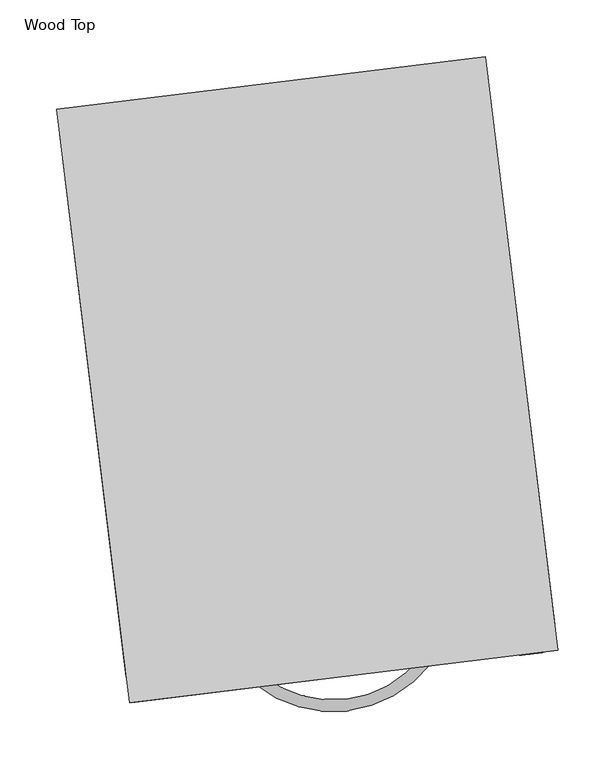
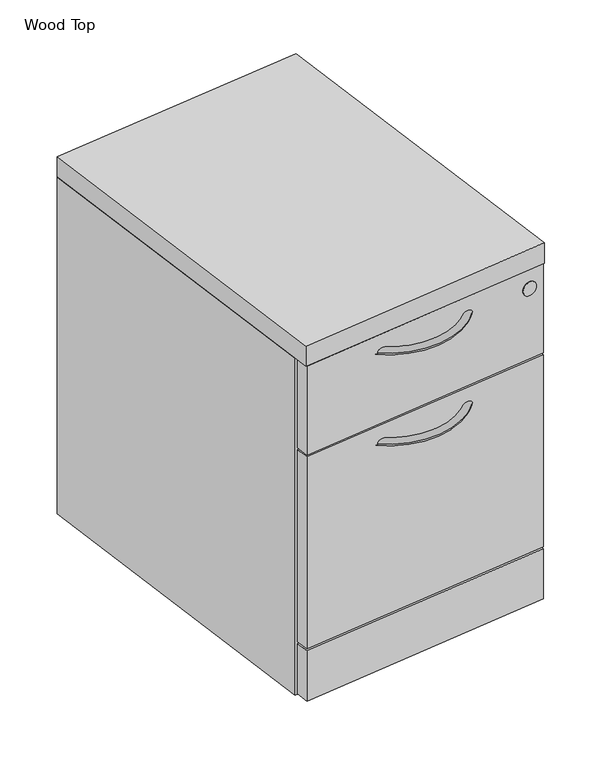
"""IFC4 building model written with IfcOpenShell, lengths in millimetres: furniture geometry, Wood Top."""

from ifc_helpers import new_model, si_unit, point, frame, frame_2d, origin, place, context, project, spatial, polyline, circle_curve, ellipse_curve, trimmed, segment, composite_curve, outline, extrude, faceted_brep, source, transform, mapped, element, save
from ifc_brep_helpers import plane_surface, revolved_surface, advanced_brep


def wood_top_27c301cb(model_context):
    return source(origin(), model_context, "Body", "SolidModel", [
        faceted_brep([(-16.4460781, 436.626, 537.0068), (45.0323872, -64.0833268, 537.0068), (58.7478461, -62.3993051, 537.0068), (-0.213995, 417.813459, 537.0068), (350.5161043, 460.8770632, 537.0068), (409.4779453, -19.335701, 537.0068), (423.192554, -17.6517837, 537.0068), (361.7140888, 483.0575431, 537.0068), (-0.213995, 417.813459, 409.8954182), (350.5161043, 460.8770632, 409.8954182), (58.7478461, -62.3993051, 409.8954182), (409.4779453, -19.335701, 409.8954182), (45.0323872, -64.0833268, 12.7), (423.192554, -17.6517837, 12.7), (409.4779453, -19.335701, 390.8454182), (409.4779453, -19.335701, 48.5394019), (58.7478461, -62.3993051, 48.5394019), (58.7478461, -62.3993051, 390.8454182), (-0.213995, 417.813459, 390.8454182), (350.5161043, 460.8770632, 390.8454182), (-0.213995, 417.813459, 48.5394019), (350.5161043, 460.8770632, 48.5394019), (-16.4460781, 436.626, 12.7), (361.7140888, 483.0575431, 12.7)], [[[0, 1, 2, 3, 4, 5, 6, 7]], [[4, 3, 8, 9]], [[9, 8, 10, 11]], [[11, 10, 2, 1, 12, 13, 6, 5], [14, 15, 16, 17]], [[14, 17, 18, 19]], [[19, 18, 20, 21]], [[21, 20, 16, 15]], [[13, 12, 22, 23]], [[0, 7, 23, 22]], [[1, 0, 22, 12]], [[17, 16, 20, 18]], [[2, 10, 8, 3]], [[5, 4, 9, 11]], [[15, 14, 19, 21]], [[7, 6, 13, 23]]]),
        extrude(outline(polyline([(361.7140888, 483.0575431), (425.94439, -40.0640211), (47.7842232, -86.4955642), (-16.4460781, 436.626), (361.7140888, 483.0575431)])), frame((0.0, 0.0, 537.0068), z_axis=(0.0, 0.0, 1.0), x_axis=(1.0, 0.0, 0.0)), (0.0, 0.0, 1.0), 31.6737863),
        extrude(outline(composite_curve([segment(trimmed(circle_curve(frame_2d((457.9451048, 4.7331134)), 17.5935881), [point((474.890074, 0.0))], [point((441.0001357, 0.0))], False, "CARTESIAN"), True, "CONTINUOUS"), segment(polyline([(441.0001357, 0.0), (474.890074, 0.0)]), True, "CONTINUOUS")], self_intersect=False)), frame((138.079566, -477.5811654, 12.7), z_axis=(0.9925463697363893, 0.12186756715022588, 0.0), x_axis=(-0.12186756715022588, 0.9925463697363893, 0.0)), (0.0, 0.0, 1.0), 46.355),
        extrude(outline(composite_curve([segment(trimmed(circle_curve(frame_2d((457.9451048, 4.7331134)), 17.5935881), [point((474.8900739, 0.0))], [point((441.0001356, 0.0))], False, "CARTESIAN"), True, "CONTINUOUS"), segment(polyline([(441.0001356, 0.0), (474.8900739, 0.0)]), True, "CONTINUOUS")], self_intersect=False)), frame((398.5801047, -444.7573183, 12.7), z_axis=(0.9925463697363893, 0.12186756715022588, 0.0), x_axis=(-0.12186756715022588, 0.9925463697363893, 0.0)), (0.0, 0.0, 1.0), 46.355),
        extrude(outline(composite_curve([segment(trimmed(circle_curve(frame_2d((457.9451048, 4.7331134)), 17.5935881), [point((474.8900739, 0.0))], [point((441.0001357, 0.0))], False, "CARTESIAN"), True, "CONTINUOUS"), segment(polyline([(441.0001357, 0.0), (474.8900739, 0.0)]), True, "CONTINUOUS")], self_intersect=False)), frame((349.8269844, -47.6891431, 12.7), z_axis=(0.9925463697363893, 0.12186756715022588, 0.0), x_axis=(-0.12186756715022588, 0.9925463697363893, 0.0)), (0.0, 0.0, 1.0), 46.355),
        extrude(outline(composite_curve([segment(trimmed(circle_curve(frame_2d((457.9451049, 4.7331134)), 17.5935881), [point((474.890074, 0.0))], [point((441.0001357, 0.0))], False, "CARTESIAN"), True, "CONTINUOUS"), segment(polyline([(441.0001357, 0.0), (474.890074, 0.0)]), True, "CONTINUOUS")], self_intersect=False)), frame((89.325776, -80.5131572, 12.7), z_axis=(0.9925463697363893, 0.12186756715022587, 0.0), x_axis=(-0.12186756715022587, 0.9925463697363893, 0.0)), (0.0, 0.0, 1.0), 46.355),
        advanced_brep(
        [(305.4491844, -46.2078402, 509.8369451), (313.4306801, -52.4944392, 509.8369451), (165.5687337, -62.8241384, 509.8369451), (159.2821347, -70.805634, 509.8369451)],
        [
            (0, 1, circle_curve(frame((309.4399323, -49.3511397, 509.8369451), z_axis=(0.6187597419534456, 0.7855802834451139, 0.0), x_axis=(0.7855802834451139, -0.6187597419534456, 0.0)), 5.08)),
            (1, 0, circle_curve(frame((309.4399323, -49.3511397, 509.8369451), z_axis=(0.6187597419534456, 0.7855802834451139, 0.0), x_axis=(0.7855802834451139, -0.6187597419534456, 0.0)), 5.08)),
            (2, 3, circle_curve(frame((162.4254342, -66.8148862, 509.8369451), z_axis=(-0.7855802834451149, 0.6187597419534444, 0.0), x_axis=(-0.6187597419534444, -0.7855802834451149, 0.0)), 5.08)),
            (3, 2, circle_curve(frame((162.4254342, -66.8148862, 509.8369451), z_axis=(-0.7855802834451149, 0.6187597419534444, 0.0), x_axis=(-0.6187597419534444, -0.7855802834451149, 0.0)), 5.08)),
            (3, 1, circle_curve(frame((227.20081, 15.4242361, 509.8369451), z_axis=(0.0, 0.0, 1.0), x_axis=(0.7855802834451139, -0.6187597419534456, 0.0)), 109.7658278)),
            (0, 2, circle_curve(frame((227.20081, 15.4242361, 509.8369451), z_axis=(0.0, 0.0, -1.0), x_axis=(0.7855802834451139, -0.6187597419534456, 0.0)), 99.6058278)),
        ],
        [
            plane_surface(frame((309.5011895, -49.3993888, 670.1234375), z_axis=(0.6187597419534456, 0.7855802834451139, 0.0), x_axis=(0.0, 0.0, 1.0))),
            plane_surface(frame((162.3771851, -66.8761434, 670.1234375), z_axis=(-0.7855802834451149, 0.6187597419534444, 0.0), x_axis=(0.0, 0.0, 1.0))),
            revolved_surface(trimmed(ellipse_curve(frame((309.4399323, -49.3511397, 509.8369451), z_axis=(0.6187597419534456, 0.7855802834451139, 0.0), x_axis=(0.7855802834451139, -0.6187597419534456, 0.0)), 5.08, 5.08), [point((305.4491844, -46.2078402, 509.8369451))], [point((313.4306801, -52.4944392, 509.8369451))], True, "CARTESIAN"), (227.20081, 15.4242361, 670.1234375), (0.0, 0.0, -1.0)),
            revolved_surface(trimmed(ellipse_curve(frame((309.4399323, -49.3511397, 509.8369451), z_axis=(0.6187597419534456, 0.7855802834451139, 0.0), x_axis=(0.7855802834451139, -0.6187597419534456, 0.0)), 5.08, 5.08), [point((313.4306801, -52.4944392, 509.8369451))], [point((305.4491844, -46.2078402, 509.8369451))], True, "CARTESIAN"), (227.20081, 15.4242361, 670.1234375), (0.0, 0.0, -1.0)),
        ],
        [
            (0, [[1, 2]]),
            (1, [[3, 4]]),
            (2, [[5, -1, 6, -4]]),
            (3, [[-6, -2, -5, -3]]),
        ],
    ),
        advanced_brep(
        [(305.4491844, -46.2078402, 368.2790769), (313.4306801, -52.4944392, 368.2790769), (165.5687337, -62.8241384, 368.2790769), (159.2821347, -70.805634, 368.2790769)],
        [
            (0, 1, circle_curve(frame((309.4399323, -49.3511397, 368.2790769), z_axis=(0.6187597419534456, 0.7855802834451139, 0.0), x_axis=(0.7855802834451139, -0.6187597419534456, 0.0)), 5.08)),
            (1, 0, circle_curve(frame((309.4399323, -49.3511397, 368.2790769), z_axis=(0.6187597419534456, 0.7855802834451139, 0.0), x_axis=(0.7855802834451139, -0.6187597419534456, 0.0)), 5.08)),
            (2, 3, circle_curve(frame((162.4254342, -66.8148862, 368.2790769), z_axis=(-0.7855802834451149, 0.6187597419534444, 0.0), x_axis=(-0.6187597419534444, -0.7855802834451149, 0.0)), 5.08)),
            (3, 2, circle_curve(frame((162.4254342, -66.8148862, 368.2790769), z_axis=(-0.7855802834451149, 0.6187597419534444, 0.0), x_axis=(-0.6187597419534444, -0.7855802834451149, 0.0)), 5.08)),
            (3, 1, circle_curve(frame((227.20081, 15.4242361, 368.2790769), z_axis=(0.0, 0.0, 1.0), x_axis=(0.7855802834451139, -0.6187597419534456, 0.0)), 109.7658278)),
            (0, 2, circle_curve(frame((227.20081, 15.4242361, 368.2790769), z_axis=(0.0, 0.0, -1.0), x_axis=(0.7855802834451139, -0.6187597419534456, 0.0)), 99.6058278)),
        ],
        [
            plane_surface(frame((309.5011895, -49.3993888, 670.1234375), z_axis=(0.6187597419534456, 0.7855802834451139, 0.0), x_axis=(0.0, 0.0, 1.0))),
            plane_surface(frame((162.3771851, -66.8761434, 670.1234375), z_axis=(-0.7855802834451149, 0.6187597419534444, 0.0), x_axis=(0.0, 0.0, 1.0))),
            revolved_surface(trimmed(ellipse_curve(frame((309.4399323, -49.3511397, 368.2790769), z_axis=(0.6187597419534456, 0.7855802834451139, 0.0), x_axis=(0.7855802834451139, -0.6187597419534456, 0.0)), 5.08, 5.08), [point((305.4491844, -46.2078402, 368.2790769))], [point((313.4306801, -52.4944392, 368.2790769))], True, "CARTESIAN"), (227.20081, 15.4242361, 670.1234375), (0.0, 0.0, -1.0)),
            revolved_surface(trimmed(ellipse_curve(frame((309.4399323, -49.3511397, 368.2790769), z_axis=(0.6187597419534456, 0.7855802834451139, 0.0), x_axis=(0.7855802834451139, -0.6187597419534456, 0.0)), 5.08, 5.08), [point((313.4306801, -52.4944392, 368.2790769))], [point((305.4491844, -46.2078402, 368.2790769))], True, "CARTESIAN"), (227.20081, 15.4242361, 670.1234375), (0.0, 0.0, -1.0)),
        ],
        [
            (0, [[1, 2]]),
            (1, [[3, 4]]),
            (2, [[5, -1, 6, -4]]),
            (3, [[-6, -2, -5, -3]]),
        ],
    ),
        extrude(outline(composite_curve([segment(trimmed(circle_curve(frame_2d((0.0, -10.668)), 10.668), [point((0.0, -21.3360001))], [point((0.0, 0.0))], False, "CARTESIAN"), True, "CONTINUOUS"), segment(trimmed(circle_curve(frame_2d((0.0, -10.668)), 10.668), [point((0.0, 0.0))], [point((0.0, -21.3360001))], False, "CARTESIAN"), True, "CONTINUOUS")], self_intersect=False)), frame((413.0805278, -42.1552418, 507.6716538), z_axis=(-0.1218675671502275, 0.9925463697363891, 0.0), x_axis=(0.0, 0.0, 1.0)), (0.0, 0.0, 1.0), 0.5079459),
        extrude(outline(polyline([(424.457921, -40.2465338), (49.2713339, -86.3129726), (46.8135917, -66.2959728), (422.0001789, -20.229534), (424.457921, -40.2465338)])), frame((0.0, 0.0, 15.1892005), z_axis=(0.0, 0.0, 1.0), x_axis=(1.0, 0.0, 0.0)), (0.0, 0.0, 1.0), 78.4098011),
        extrude(outline(polyline([(424.457921, -40.2465338), (49.2713339, -86.3129726), (46.8135917, -66.2959728), (422.0001789, -20.229534), (424.457921, -40.2465338)])), frame((0.0, 0.0, 398.3990107), z_axis=(0.0, 0.0, 1.0), x_axis=(1.0, 0.0, 0.0)), (0.0, 0.0, 1.0), 138.6077893),
        extrude(outline(polyline([(424.457921, -40.2465338), (49.2713339, -86.3129726), (46.8135917, -66.2959728), (422.0001789, -20.229534), (424.457921, -40.2465338)])), frame((0.0, 0.0, 96.5962023), z_axis=(0.0, 0.0, 1.0), x_axis=(1.0, 0.0, 0.0)), (0.0, 0.0, 1.0), 298.8056075),
    ])


if __name__ == "__main__":
    model = new_model("IFC4")
    model_context = context("Model", 3, world=origin())
    ifc_project = project(units=[si_unit("LENGTHUNIT", "METRE", prefix="MILLI")], contexts=[model_context])
    site = spatial("IfcSite", under=ifc_project)
    building = spatial("IfcBuilding", under=site)
    placement = place(None, origin())
    wood_top_shape = wood_top_27c301cb(model_context)
    element("IfcFurniture", 1, ObjectType="Wood Top", at=placement, inside=building, context=model_context, shape_type="MappedRepresentation", body=[
        mapped(wood_top_shape, transform((0.0, 0.0, 0.0), x_axis=(1.0, 0.0, 0.0), y_axis=(0.0, 1.0, 0.0), z_axis=(0.0, 0.0, 1.0))),
    ])
    save(model, "model.ifc")
